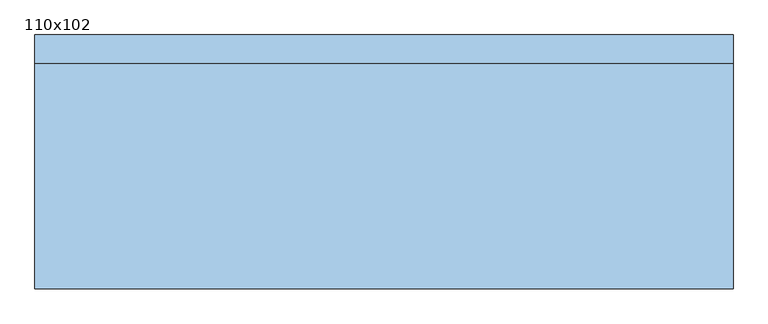
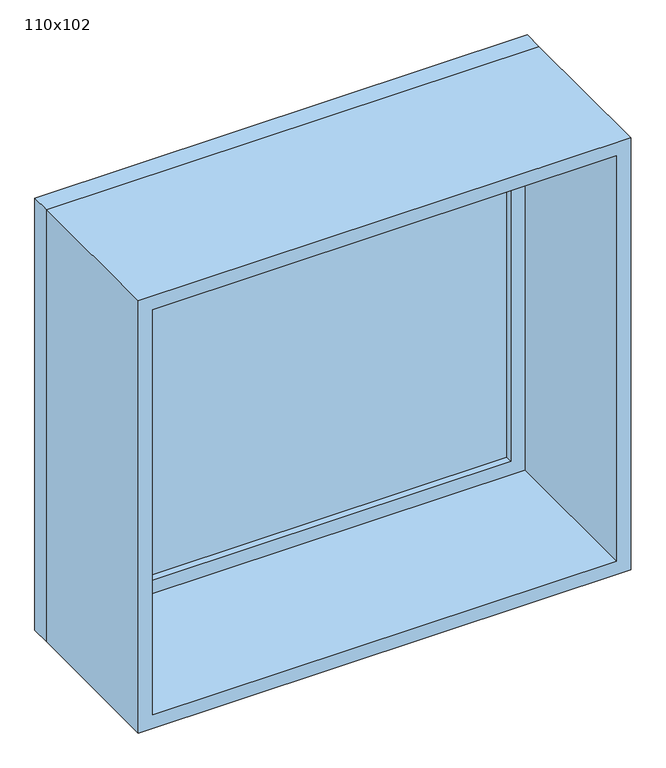
"""IFC4 building model written with IfcOpenShell, lengths in millimetres: window geometry, 110x102."""

from ifc_helpers import new_model, si_unit, frame, origin, place, context, project, spatial, polyline, outline, extrude, source, transform, mapped, element, save


def window_110x102_5953e5d4(model_context):
    return source(origin(), model_context, "Body", "SweptSolid", [
        extrude(outline(polyline([(448.4, 170.425), (-524.6, 170.425), (-524.6, 183.125), (448.4, 183.125), (448.4, 170.425)])), frame((0.0, 0.0, 977.9), z_axis=(0.0, 0.0, 1.0), x_axis=(1.0, 0.0, 0.0)), (0.0, 0.0, 1.0), 893.0),
        extrude(outline(polyline([(1915.35, -569.05), (933.45, -569.05), (933.45, 492.85), (1915.35, 492.85), (1915.35, -569.05)]), holes=[polyline([(1870.9, -524.6), (1870.9, 448.4), (977.9, 448.4), (977.9, -524.6), (1870.9, -524.6)])]), frame((0.0, 154.55, 0.0), z_axis=(0.0, 1.0, 0.0), x_axis=(0.0, 0.0, 1.0)), (0.0, 0.0, 1.0), 44.45),
        extrude(outline(polyline([(1934.4, -588.1), (914.4, -588.1), (914.4, 511.9), (1934.4, 511.9), (1934.4, -588.1)]), holes=[polyline([(1902.65, -556.35), (1902.65, 480.15), (946.15, 480.15), (946.15, -556.35), (1902.65, -556.35)])]), frame((0.0, -200.0, 0.0), z_axis=(0.0, 1.0, 0.0), x_axis=(0.0, 0.0, 1.0)), (0.0, 0.0, 1.0), 354.55),
        extrude(outline(polyline([(1934.4, 511.9), (1934.4, -588.1), (914.4, -588.1), (914.4, 511.9), (1934.4, 511.9)]), holes=[polyline([(1915.35, 492.85), (933.45, 492.85), (933.45, -569.05), (1915.35, -569.05), (1915.35, 492.85)])]), frame((0.0, 154.55, 0.0), z_axis=(0.0, 1.0, 0.0), x_axis=(0.0, 0.0, 1.0)), (0.0, 0.0, 1.0), 45.45),
    ])


if __name__ == "__main__":
    model = new_model("IFC4")
    model_context = context("Model", 3, world=origin())
    ifc_project = project(units=[si_unit("LENGTHUNIT", "METRE", prefix="MILLI")], contexts=[model_context])
    site = spatial("IfcSite", under=ifc_project)
    building = spatial("IfcBuilding", under=site)
    placement = place(None, origin())
    window_110x102_shape = window_110x102_5953e5d4(model_context)
    element("IfcWindow", 1, ObjectType="110x102", at=placement, inside=building, context=model_context, shape_type="MappedRepresentation", body=[
        mapped(window_110x102_shape, transform((0.0, 0.0, 0.0), x_axis=(1.0, 0.0, 0.0), y_axis=(0.0, 1.0, 0.0), z_axis=(0.0, 0.0, 1.0))),
    ])
    save(model, "model.ifc")
